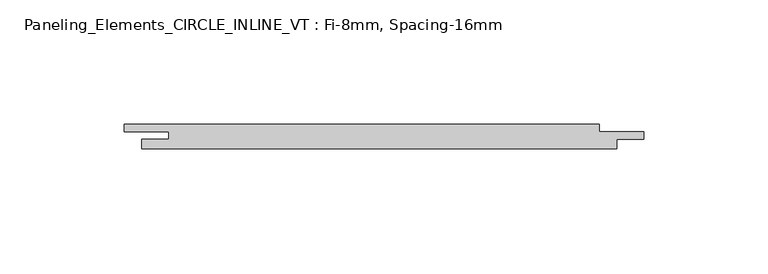
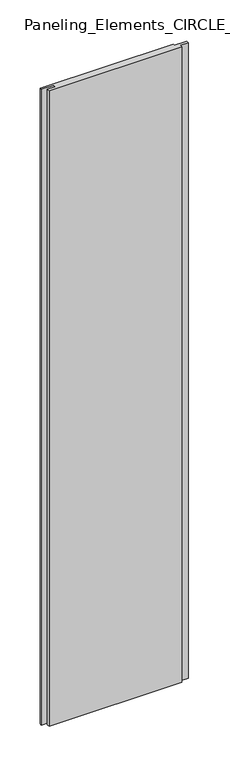
"""IFC4 building model written with IfcOpenShell, lengths in millimetres: plate geometry, Paneling_Elements_CIRCLE_INLINE_VT : Fi-8mm, Spacing-16mm."""

from ifc_helpers import new_model, si_unit, origin, origin_with_axes, place, context, project, spatial, polyline, outline, extrude, source, transform, mapped, element, save


def paneling_elements_circle_inline_vt_fi_8mm_spacing_16mm_4b06f123(model_context):
    return source(origin(), model_context, "Body", "SweptSolid", [
        extrude(outline(polyline([(88.65, 5.0), (88.65, 2.0), (106.65, 2.0), (106.65, -1.0), (95.65, -1.0), (95.65, -5.0), (-95.65, -5.0), (-95.65, -1.0), (-84.65, -1.0), (-84.65, 2.0), (-102.65, 2.0), (-102.65, 5.0), (88.65, 5.0)])), origin_with_axes(), (0.0, 0.0, 1.0), 966.8),
    ])


if __name__ == "__main__":
    model = new_model("IFC4")
    model_context = context("Model", 3, world=origin())
    ifc_project = project(units=[si_unit("LENGTHUNIT", "METRE", prefix="MILLI")], contexts=[model_context])
    site = spatial("IfcSite", under=ifc_project)
    building = spatial("IfcBuilding", under=site)
    placement = place(None, origin())
    paneling_elements_circle_inline_vt_fi_8mm_spacing_16mm_shape = paneling_elements_circle_inline_vt_fi_8mm_spacing_16mm_4b06f123(model_context)
    element("IfcPlate", 1, ObjectType="Paneling_Elements_CIRCLE_INLINE_VT : Fi-8mm, Spacing-16mm", at=placement, inside=building, context=model_context, shape_type="MappedRepresentation", body=[
        mapped(paneling_elements_circle_inline_vt_fi_8mm_spacing_16mm_shape, transform((0.0, 0.0, 0.0), x_axis=(1.0, 0.0, 0.0), y_axis=(0.0, 1.0, 0.0), z_axis=(0.0, 0.0, 1.0))),
    ])
    save(model, "model.ifc")
